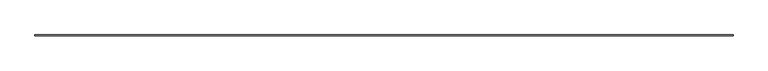
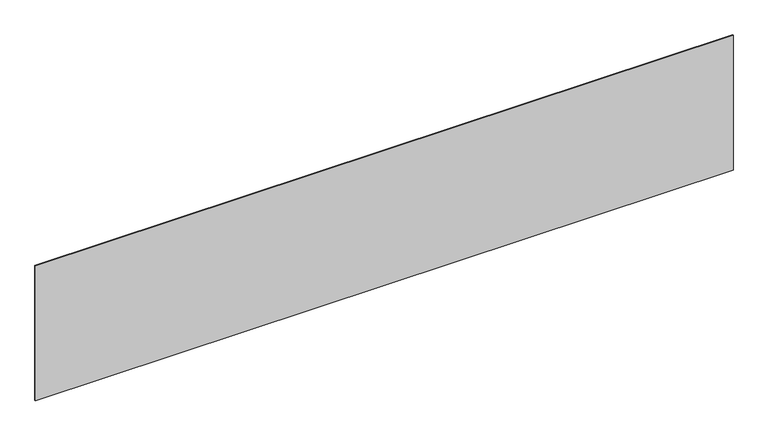
"""IFC4 building model written with IfcOpenShell, lengths in millimetres: furniture geometry."""

from ifc_helpers import new_model, si_unit, origin, origin_with_axes, place, context, project, spatial, polyline, outline, extrude, source, transform, mapped, element, save


def furniture_05c52a4e(model_context):
    return source(origin(), model_context, "Body", "SweptSolid", [
        extrude(outline(polyline([(3305.8056633, 41.4238281), (-1494.7943367, 41.4238281), (-1494.7943367, 47.4761719), (3305.8056633, 47.4761719), (3305.8056633, 41.4238281)])), origin_with_axes(), (0.0, 0.0, 1.0), 979.884375),
    ])


if __name__ == "__main__":
    model = new_model("IFC4")
    model_context = context("Model", 3, world=origin())
    ifc_project = project(units=[si_unit("LENGTHUNIT", "METRE", prefix="MILLI")], contexts=[model_context])
    site = spatial("IfcSite", under=ifc_project)
    building = spatial("IfcBuilding", under=site)
    placement = place(None, origin())
    furniture_shape = furniture_05c52a4e(model_context)
    element("IfcFurniture", 1, at=placement, inside=building, context=model_context, shape_type="MappedRepresentation", body=[
        mapped(furniture_shape, transform((0.0, 0.0, 0.0), x_axis=(1.0, 0.0, 0.0), y_axis=(0.0, 1.0, 0.0), z_axis=(0.0, 0.0, 1.0))),
    ])
    save(model, "model.ifc")
